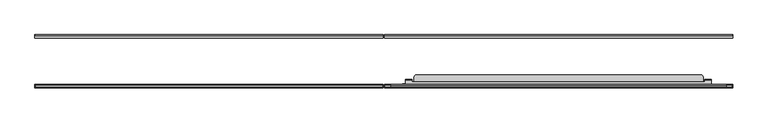
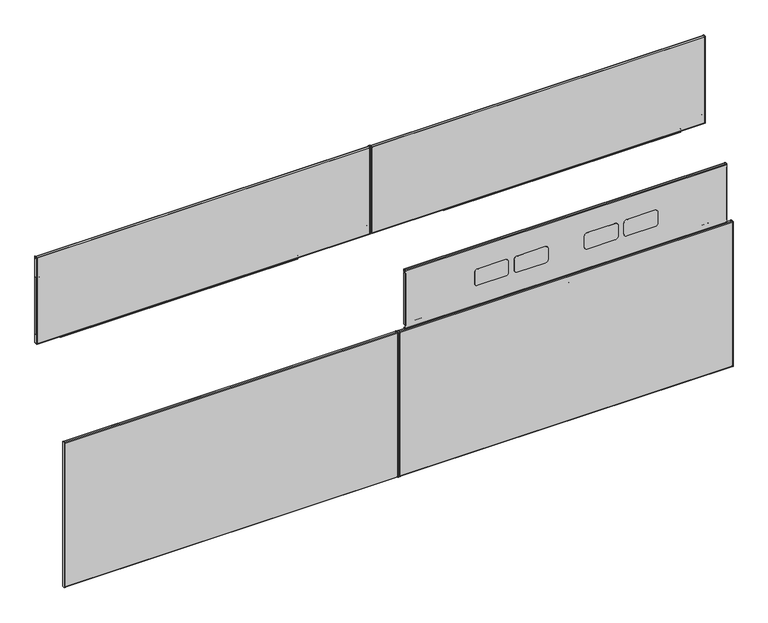
"""IFC4 building model written with IfcOpenShell, lengths in millimetres: furniture geometry."""

import ifcopenshell
import ifcopenshell.guid

model = None  # the IFC model being written
_history = None  # IfcOwnerHistory: only IFC2X3 demands one
_inside = {}  # id of a spatial element -> (the spatial element, [elements in it])
_under = {}  # id of a project, library or spatial element -> (it, [spatial elements below it])
_declared = {}  # id of a project -> (the project, [libraries it declares])
_typed = {}  # id of a type object -> (the type object, [elements of that type])
_made_of = {}  # id of a material, layer set ... -> (it, [elements and type objects made of it])


def new_model(schema):
    """Start an empty IFC model of exactly this schema.

    Asked for "IFC4X3", IfcOpenShell would pick the latest addendum, in which some entities
    have other attributes; the version numbers below select the first issue.
    IFC2X3 requires an IfcOwnerHistory on every rooted entity: one is made here for all.
    """
    global model, _history
    if schema == "IFC4X3":
        model = ifcopenshell.file(schema_version=(4, 3, 0, 0))
    else:
        model = ifcopenshell.file(schema=schema)
    _inside.clear()
    _under.clear()
    _declared.clear()
    _typed.clear()
    _made_of.clear()
    _history = None
    if model.schema == "IFC2X3":
        org = make("IfcOrganization", Name="unknown")
        user = make(
            "IfcPersonAndOrganization",
            ThePerson=make("IfcPerson", FamilyName="unknown"),
            TheOrganization=org,
        )
        app = make(
            "IfcApplication",
            ApplicationDeveloper=org,
            Version="unknown",
            ApplicationFullName="unknown",
            ApplicationIdentifier="unknown",
        )
        _history = make(
            "IfcOwnerHistory",
            OwningUser=user,
            OwningApplication=app,
            ChangeAction="ADDED",
            CreationDate=0,
        )
    return model


def make(cls, **values):
    """One entity of the class cls with the attributes given. An attribute that is None is left unset."""
    return model.create_entity(
        cls, **{name: value for name, value in values.items() if value is not None}
    )


def rooted(cls, **values):
    """An entity with a GlobalId (a new one), such as an element, a storey or a relation."""
    return make(cls, GlobalId=ifcopenshell.guid.new(), OwnerHistory=_history, **values)


def si_unit(unit_type, name, prefix=None):
    """IfcSIUnit, for example si_unit("LENGTHUNIT", "METRE", prefix="MILLI")."""
    return make("IfcSIUnit", UnitType=unit_type, Prefix=prefix, Name=name)


def assignment(units):
    """IfcUnitAssignment: the units of a project."""
    return None if units is None else make("IfcUnitAssignment", Units=units)


def point(xyz):
    """IfcCartesianPoint."""
    return None if xyz is None else make("IfcCartesianPoint", Coordinates=xyz)


def direction(xyz):
    """IfcDirection."""
    return None if xyz is None else make("IfcDirection", DirectionRatios=xyz)


def frame(location, z_axis=None, x_axis=None):
    """IfcAxis2Placement3D, a coordinate frame: its origin and axes. An axis left out is left unset."""
    return make(
        "IfcAxis2Placement3D",
        Location=point(location),
        Axis=direction(z_axis),
        RefDirection=direction(x_axis),
    )


def frame_2d(location, x_axis=None):
    """IfcAxis2Placement2D, a coordinate frame in the plane: its origin and x axis."""
    return make(
        "IfcAxis2Placement2D", Location=point(location), RefDirection=direction(x_axis)
    )


def origin():
    """The frame at (0, 0, 0) with its axes left unset."""
    return frame((0.0, 0.0, 0.0))


def place(relative_to, where):
    """IfcLocalPlacement: puts the frame where relative to a parent placement (None: the world)."""
    return make(
        "IfcLocalPlacement", PlacementRelTo=relative_to, RelativePlacement=where
    )


def context(
    kind, dimensions, precision=None, world=None, true_north=None, identifier=None
):
    """IfcGeometricRepresentationContext, for example the 3D "Model" context."""
    return make(
        "IfcGeometricRepresentationContext",
        ContextIdentifier=identifier,
        ContextType=kind,
        CoordinateSpaceDimension=dimensions,
        Precision=precision,
        WorldCoordinateSystem=world,
        TrueNorth=true_north,
    )


def project(units=None, contexts=None):
    """IfcProject with its units and contexts."""
    return rooted(
        "IfcProject",
        Name="project",
        RepresentationContexts=contexts,
        UnitsInContext=assignment(units),
    )


def spatial(cls, under=None, at=None, **own):
    """A site, building, storey or space (cls), placed at a placement, below another one or the project."""
    s = rooted(cls, ObjectPlacement=at, **own)
    if under is not None:
        _under.setdefault(under.id(), (under, []))[1].append(s)
    return s


def polyline(points):
    """IfcPolyline through the points."""
    return make("IfcPolyline", Points=[point(p) for p in points])


def circle_curve(where, radius):
    """IfcCircle in the frame where."""
    return make("IfcCircle", Position=where, Radius=radius)


def trimmed(basis, trim1, trim2, sense, master):
    """IfcTrimmedCurve: the piece of a basis curve between two trims."""
    return make(
        "IfcTrimmedCurve",
        BasisCurve=basis,
        Trim1=trim1,
        Trim2=trim2,
        SenseAgreement=sense,
        MasterRepresentation=master,
    )


def segment(curve, same_sense, transition):
    """IfcCompositeCurveSegment."""
    return make(
        "IfcCompositeCurveSegment",
        Transition=transition,
        SameSense=same_sense,
        ParentCurve=curve,
    )


def composite_curve(segments, self_intersect=None):
    """IfcCompositeCurve: segments joined end to end."""
    return make("IfcCompositeCurve", Segments=segments, SelfIntersect=self_intersect)


def outline(outer, holes=None, kind="AREA"):
    """IfcArbitraryClosedProfileDef: a profile drawn as a closed curve; with holes, ...WithVoids."""
    if holes is None:
        return make("IfcArbitraryClosedProfileDef", ProfileType=kind, OuterCurve=outer)
    return make(
        "IfcArbitraryProfileDefWithVoids",
        ProfileType=kind,
        OuterCurve=outer,
        InnerCurves=holes,
    )


def extrude(swept, where, along, depth):
    """IfcExtrudedAreaSolid: the profile swept, set in the frame where, extruded along a direction by depth."""
    return make(
        "IfcExtrudedAreaSolid",
        SweptArea=swept,
        Position=where,
        ExtrudedDirection=direction(along),
        Depth=depth,
    )


def shape(context_of_items, identifier, shape_type, items):
    """IfcShapeRepresentation: the items that make up one representation, for example the "Body"."""
    return make(
        "IfcShapeRepresentation",
        ContextOfItems=context_of_items,
        RepresentationIdentifier=identifier,
        RepresentationType=shape_type,
        Items=items,
    )


def source(mapping_origin, context_of_items, identifier, shape_type, items):
    """IfcRepresentationMap: a shape defined once, which mapped items show again and again."""
    return make(
        "IfcRepresentationMap",
        MappingOrigin=mapping_origin,
        MappedRepresentation=shape(context_of_items, identifier, shape_type, items),
    )


def transform(
    local_origin,
    x_axis=None,
    y_axis=None,
    z_axis=None,
    scale=None,
    scale2=None,
    scale3=None,
    uniform=True,
):
    """IfcCartesianTransformationOperator3D, or its non-uniform kind. x_axis, y_axis, z_axis: its Axis1, 2, 3."""
    if uniform:
        return make(
            "IfcCartesianTransformationOperator3D",
            Axis1=direction(x_axis),
            Axis2=direction(y_axis),
            LocalOrigin=point(local_origin),
            Scale=scale,
            Axis3=direction(z_axis),
        )
    return make(
        "IfcCartesianTransformationOperator3DnonUniform",
        Axis1=direction(x_axis),
        Axis2=direction(y_axis),
        LocalOrigin=point(local_origin),
        Scale=scale,
        Axis3=direction(z_axis),
        Scale2=scale2,
        Scale3=scale3,
    )


def mapped(mapping_source, mapping_target):
    """IfcMappedItem: shows the shape of a source again, moved by a transform."""
    return make(
        "IfcMappedItem", MappingSource=mapping_source, MappingTarget=mapping_target
    )


def made_of(thing, what):
    """Note that an element or type object is made of a material, layer set ...; save() writes the relation."""
    if what is not None:
        _made_of.setdefault(what.id(), (what, []))[1].append(thing)
    return thing


def element(
    cls,
    number,
    at=None,
    inside=None,
    cuts=None,
    type_object=None,
    material=None,
    context=None,
    identifier="Body",
    shape_type=None,
    held_by="IfcProductDefinitionShape",
    body=None,
    shapes=None,
    **own,
):
    """One element of the class cls, such as IfcWall. Its Tag is "e" and its number.

    at: its placement. inside: the storey or other place that contains it. cuts: it is an
    opening in that element (IfcRelVoidsElement). A single representation is given by context,
    identifier, shape_type and body (its items); several are given by shapes. held_by: the class
    of the entity that holds the representations. save() writes the other relations.
    """
    e = rooted(cls, Tag="e%d" % number, ObjectPlacement=at, **own)
    if body is not None:
        shapes = [shape(context, identifier, shape_type, body)]
    if shapes is not None:
        e.Representation = make(held_by, Representations=shapes)
    if inside is not None:
        _inside.setdefault(inside.id(), (inside, []))[1].append(e)
    if cuts is not None:
        rooted(
            "IfcRelVoidsElement", RelatingBuildingElement=cuts, RelatedOpeningElement=e
        )
    if type_object is not None:
        _typed.setdefault(type_object.id(), (type_object, []))[1].append(e)
    return made_of(e, material)


def aggregate(whole, parts):
    """IfcRelAggregates: a whole, such as a stair, and the parts it consists of."""
    return rooted("IfcRelAggregates", RelatingObject=whole, RelatedObjects=parts)


def save(model, path):
    """Write the relations noted so far, then the file.

    IfcRelAggregates (storeys below a building ...), IfcRelContainedInSpatialStructure (elements
    in a storey), IfcRelDefinesByType, IfcRelAssociatesMaterial and IfcRelDeclares: one each for
    every whole, place, type object, material and project.
    """
    for whole, parts in _under.values():
        aggregate(whole, parts)
    for where, things in _inside.values():
        rooted(
            "IfcRelContainedInSpatialStructure",
            RelatedElements=things,
            RelatingStructure=where,
        )
    for kind, things in _typed.values():
        rooted("IfcRelDefinesByType", RelatedObjects=things, RelatingType=kind)
    for what, things in _made_of.values():
        rooted("IfcRelAssociatesMaterial", RelatedObjects=things, RelatingMaterial=what)
    for by, libraries in _declared.values():
        rooted("IfcRelDeclares", RelatingContext=by, RelatedDefinitions=libraries)
    model.write(path)


def plane_surface(at):
    """IfcPlane: the flat surface through the origin of the frame at, square to its z axis."""
    return make("IfcPlane", Position=at)


def cylinder_surface(at, radius):
    """IfcCylindricalSurface: all points at the distance radius from the z axis of the frame at."""
    return make("IfcCylindricalSurface", Position=at, Radius=radius)


def revolved_surface(curve, axis_point, axis_direction):
    """IfcSurfaceOfRevolution: the curve turned about the line through axis_point along axis_direction."""
    return make(
        "IfcSurfaceOfRevolution",
        SweptCurve=make("IfcArbitraryOpenProfileDef", ProfileType="CURVE", Curve=curve),
        AxisPosition=make("IfcAxis1Placement", Location=point(axis_point), Axis=direction(axis_direction)),
    )


def advanced_brep(points, edges, surfaces, faces):
    """IfcAdvancedBrep: a solid bounded by faces that lie on surfaces and meet in shared edges.

    An edge is (start, end): straight between two places in points (the first is 0);
    or (start, end, curve); or (start, end, curve, False) where it runs against its curve.
    A face is (place in surfaces, loops), or (place, loops, False) where it looks against
    its surface's normal. A loop lists edges by number (the first is 1), with a minus sign
    where the edge is run from its end to its start. The first loop is the outer one.
    """
    corners = [point(p) for p in points]
    vertices = [make("IfcVertexPoint", VertexGeometry=c) for c in corners]
    made = []
    for start, end, *more in edges:
        made.append(
            make(
                "IfcEdgeCurve",
                EdgeStart=vertices[start],
                EdgeEnd=vertices[end],
                EdgeGeometry=more[0] if more else make("IfcPolyline", Points=[corners[start], corners[end]]),
                SameSense=more[1] if len(more) > 1 else True,
            )
        )
    hull = []
    for where, loops, *sense in faces:
        bounds = []
        for j, loop in enumerate(loops):
            ring = [make("IfcOrientedEdge", EdgeElement=made[abs(k) - 1], Orientation=k > 0) for k in loop]
            bounds.append(
                make(
                    "IfcFaceOuterBound" if j == 0 else "IfcFaceBound",
                    Bound=make("IfcEdgeLoop", EdgeList=ring),
                    Orientation=True,
                )
            )
        hull.append(make("IfcAdvancedFace", Bounds=bounds, FaceSurface=surfaces[where], SameSense=sense[0] if sense else True))
    return make("IfcAdvancedBrep", Outer=make("IfcClosedShell", CfsFaces=hull))


def furniture_02fceba5(model_context):
    return source(origin(), model_context, "Body", "SolidModel", [
        extrude(outline(composite_curve([segment(polyline([(734.9612073, 1298.418702), (734.9612073, 2054.4539044), (745.1433918, 2054.4539044)]), True, "CONTINUOUS"), segment(trimmed(circle_curve(frame_2d((745.1433918, 2052.6360946)), 1.8178098), [point((745.1433918, 2054.4539044))], [point((746.9612016, 2052.6360946))], False, "CARTESIAN"), True, "CONTINUOUS"), segment(polyline([(746.9612016, 2052.6360946), (746.9612016, 1299.8508917)]), True, "CONTINUOUS"), segment(trimmed(circle_curve(frame_2d((745.5290119, 1299.8508917)), 1.4321897), [point((746.9612016, 1299.8508917))], [point((745.5290119, 1298.418702))], False, "CARTESIAN"), True, "CONTINUOUS"), segment(polyline([(745.5290119, 1298.418702), (734.9612073, 1298.418702)]), True, "CONTINUOUS")], self_intersect=False)), frame((0.0, -58.6781407, 0.0), z_axis=(0.0, 1.0, 0.0), x_axis=(0.0, 0.0, 1.0)), (0.0, 0.0, 1.0), 7.3431383),
        extrude(outline(composite_curve([segment(polyline([(825.6287108, 1079.8859018), (960.2347544, 1079.8859018)]), True, "CONTINUOUS"), segment(trimmed(circle_curve(frame_2d((960.2347544, 1077.6594545)), 2.2264474), [point((960.2347544, 1079.8859018))], [point((962.4612018, 1077.6594545))], False, "CARTESIAN"), True, "CONTINUOUS"), segment(polyline([(962.4612018, 1077.6594545), (962.4612018, 1068.8000233), (769.9612512, 1068.8000233), (769.9612512, 1078.1819869)]), True, "CONTINUOUS"), segment(trimmed(circle_curve(frame_2d((771.6651662, 1078.1819869)), 1.703915), [point((769.9612512, 1078.1819869))], [point((771.6651662, 1079.8859018))], False, "CARTESIAN"), True, "CONTINUOUS"), segment(polyline([(771.6651662, 1079.8859018), (775.0827409, 1079.8859018), (775.0827409, 1074.2968534), (825.6287108, 1074.2968534), (825.6287108, 1079.8859018)]), True, "CONTINUOUS")], self_intersect=False)), frame((0.0, -58.6781407, 0.0), z_axis=(0.0, 1.0, 0.0), x_axis=(0.0, 0.0, 1.0)), (0.0, 0.0, 1.0), 7.3431383),
        extrude(outline(composite_curve([segment(polyline([(825.6287108, 2120.5878843), (825.6287108, 2126.1768844), (775.0827409, 2126.176885), (775.0827409, 2120.5878843), (771.3508741, 2120.5878843)]), True, "CONTINUOUS"), segment(trimmed(circle_curve(frame_2d((771.3508741, 2121.9775072)), 1.3896229), [point((771.3508741, 2120.5878843))], [point((769.9612512, 2121.9775072))], False, "CARTESIAN"), True, "CONTINUOUS"), segment(polyline([(769.9612512, 2121.9775072), (769.9612512, 2131.6000044), (962.4612018, 2131.6000044), (962.4612018, 2122.1471973)]), True, "CONTINUOUS"), segment(trimmed(circle_curve(frame_2d((960.9018888, 2122.1471973)), 1.559313), [point((962.4612018, 2122.1471973))], [point((960.9018888, 2120.5878843))], False, "CARTESIAN"), True, "CONTINUOUS"), segment(polyline([(960.9018888, 2120.5878843), (825.6287108, 2120.5878843)]), True, "CONTINUOUS")], self_intersect=False)), frame((0.0, -58.6781407, 0.0), z_axis=(0.0, 1.0, 0.0), x_axis=(0.0, 0.0, 1.0)), (0.0, 0.0, 1.0), 7.3431383),
        extrude(outline(polyline([(1068.8000233, -51.3350025), (2131.6000044, -51.3350025), (2131.6000044, -60.8600025), (1068.8000233, -60.8600025), (1068.8000233, -51.3350025)])), frame((0.0, 0.0, 740.3599691), z_axis=(0.0, 0.0, 1.0), x_axis=(1.0, 0.0, 0.0)), (0.0, 0.0, 1.0), 0.9118629),
        extrude(outline(composite_curve([segment(trimmed(circle_curve(frame_2d((-53.4811786, 1029.2138314)), 1.2343177), [point((-52.2468609, 1029.2138314))], [point((-53.4811786, 1030.4481491))], True, "CARTESIAN"), True, "CONTINUOUS"), segment(polyline([(-53.4811786, 1030.4481491), (-60.8600025, 1030.4481491), (-60.8600025, 1031.3600121), (-53.3140334, 1031.3600121)]), True, "CONTINUOUS"), segment(trimmed(circle_curve(frame_2d((-53.3140334, 1029.3809811)), 1.9790309), [point((-53.3140334, 1031.3600121))], [point((-51.3350025, 1029.3809811))], False, "CARTESIAN"), True, "CONTINUOUS"), segment(polyline([(-51.3350025, 1029.3809811), (-51.3350025, 1023.3599916), (-52.2468609, 1023.3599916), (-52.2468609, 1029.2138314)]), True, "CONTINUOUS")], self_intersect=False)), frame((1068.8000233, 0.0, 0.0), z_axis=(1.0, 0.0, 0.0), x_axis=(0.0, 1.0, 0.0)), (0.0, 0.0, 1.0), 1062.7999811),
        extrude(outline(composite_curve([segment(polyline([(2131.6000044, -51.3350025), (2131.6000044, -58.637242)]), True, "CONTINUOUS"), segment(trimmed(circle_curve(frame_2d((2129.3772439, -58.637242)), 2.2227605), [point((2131.6000044, -58.637242))], [point((2129.3772439, -60.8600025))], False, "CARTESIAN"), True, "CONTINUOUS"), segment(polyline([(2129.3772439, -60.8600025), (1071.3400233, -60.8600025)]), True, "CONTINUOUS"), segment(trimmed(circle_curve(frame_2d((1071.3400233, -58.3200025)), 2.54), [point((1071.3400233, -60.8600025))], [point((1068.8000233, -58.3200025))], False, "CARTESIAN"), True, "CONTINUOUS"), segment(polyline([(1068.8000233, -58.3200025), (1068.8000233, -51.3350025), (1069.727504, -51.3350025), (1069.727504, -58.5359447)]), True, "CONTINUOUS"), segment(trimmed(circle_curve(frame_2d((1071.1396987, -58.5359447)), 1.4121948), [point((1069.727504, -58.5359447))], [point((1071.1396987, -59.9481395))], True, "CARTESIAN"), True, "CONTINUOUS"), segment(polyline([(1071.1396987, -59.9481395), (2129.5706627, -59.9481395)]), True, "CONTINUOUS"), segment(trimmed(circle_curve(frame_2d((2129.5706627, -58.8306579)), 1.1174816), [point((2129.5706627, -59.9481395))], [point((2130.6881443, -58.8306579))], True, "CARTESIAN"), True, "CONTINUOUS"), segment(polyline([(2130.6881443, -58.8306579), (2130.6881443, -51.3350025), (2131.6000044, -51.3350025)]), True, "CONTINUOUS")], self_intersect=False)), frame((0.0, 0.0, 740.3599691), z_axis=(0.0, 0.0, 1.0), x_axis=(1.0, 0.0, 0.0)), (0.0, 0.0, 1.0), 291.0000429),
        extrude(outline(composite_curve([segment(polyline([(734.9612073, 835.181298), (745.5290119, 835.181298)]), True, "CONTINUOUS"), segment(trimmed(circle_curve(frame_2d((745.5290119, 833.7491083)), 1.4321897), [point((745.5290119, 835.181298))], [point((746.9612016, 833.7491083))], False, "CARTESIAN"), True, "CONTINUOUS"), segment(polyline([(746.9612016, 833.7491083), (746.9612016, 80.9639054)]), True, "CONTINUOUS"), segment(trimmed(circle_curve(frame_2d((745.1433918, 80.9639054)), 1.8178098), [point((746.9612016, 80.9639054))], [point((745.1433918, 79.1460956))], False, "CARTESIAN"), True, "CONTINUOUS"), segment(polyline([(745.1433918, 79.1460956), (734.9612073, 79.1460956), (734.9612073, 835.181298)]), True, "CONTINUOUS")], self_intersect=False)), frame((0.0, -58.6781407, 0.0), z_axis=(0.0, 1.0, 0.0), x_axis=(0.0, 0.0, 1.0)), (0.0, 0.0, 1.0), 7.3431383),
        extrude(outline(composite_curve([segment(polyline([(825.6287108, 1053.7140982), (825.6287108, 1059.3031466), (775.0827409, 1059.3031466), (775.0827409, 1053.7140982), (771.6651662, 1053.7140982)]), True, "CONTINUOUS"), segment(trimmed(circle_curve(frame_2d((771.6651662, 1055.4180131)), 1.703915), [point((771.6651662, 1053.7140982))], [point((769.9612512, 1055.4180131))], False, "CARTESIAN"), True, "CONTINUOUS"), segment(polyline([(769.9612512, 1055.4180131), (769.9612512, 1064.7999767), (962.4612018, 1064.7999767), (962.4612018, 1055.9405455)]), True, "CONTINUOUS"), segment(trimmed(circle_curve(frame_2d((960.2347544, 1055.9405455)), 2.2264474), [point((962.4612018, 1055.9405455))], [point((960.2347544, 1053.7140982))], False, "CARTESIAN"), True, "CONTINUOUS"), segment(polyline([(960.2347544, 1053.7140982), (825.6287108, 1053.7140982)]), True, "CONTINUOUS")], self_intersect=False)), frame((0.0, -58.6781407, 0.0), z_axis=(0.0, 1.0, 0.0), x_axis=(0.0, 0.0, 1.0)), (0.0, 0.0, 1.0), 7.3431383),
        extrude(outline(composite_curve([segment(polyline([(825.6287108, 13.0121157), (960.9018888, 13.0121157)]), True, "CONTINUOUS"), segment(trimmed(circle_curve(frame_2d((960.9018888, 11.4528027)), 1.559313), [point((960.9018888, 13.0121157))], [point((962.4612018, 11.4528027))], False, "CARTESIAN"), True, "CONTINUOUS"), segment(polyline([(962.4612018, 11.4528027), (962.4612018, 1.9999956), (769.9612512, 1.9999956), (769.9612512, 11.6224928)]), True, "CONTINUOUS"), segment(trimmed(circle_curve(frame_2d((771.3508741, 11.6224928)), 1.3896229), [point((769.9612512, 11.6224928))], [point((771.3508741, 13.0121157))], False, "CARTESIAN"), True, "CONTINUOUS"), segment(polyline([(771.3508741, 13.0121157), (775.0827409, 13.0121157), (775.0827409, 7.423115), (825.6287108, 7.4231156), (825.6287108, 13.0121157)]), True, "CONTINUOUS")], self_intersect=False)), frame((0.0, -58.6781407, 0.0), z_axis=(0.0, 1.0, 0.0), x_axis=(0.0, 0.0, 1.0)), (0.0, 0.0, 1.0), 7.3431383),
        extrude(outline(polyline([(1064.7999767, -51.3350025), (1064.7999767, -60.8600025), (1.9999956, -60.8600025), (1.9999956, -51.3350025), (1064.7999767, -51.3350025)])), frame((0.0, 0.0, 740.3599691), z_axis=(0.0, 0.0, 1.0), x_axis=(1.0, 0.0, 0.0)), (0.0, 0.0, 1.0), 0.9118629),
        extrude(outline(composite_curve([segment(trimmed(circle_curve(frame_2d((-53.4811786, 1029.2138314)), 1.2343177), [point((-52.2468609, 1029.2138314))], [point((-53.4811786, 1030.4481491))], True, "CARTESIAN"), True, "CONTINUOUS"), segment(polyline([(-53.4811786, 1030.4481491), (-60.8600025, 1030.4481491), (-60.8600025, 1031.3600121), (-53.3140334, 1031.3600121)]), True, "CONTINUOUS"), segment(trimmed(circle_curve(frame_2d((-53.3140334, 1029.3809811)), 1.9790309), [point((-53.3140334, 1031.3600121))], [point((-51.3350025, 1029.3809811))], False, "CARTESIAN"), True, "CONTINUOUS"), segment(polyline([(-51.3350025, 1029.3809811), (-51.3350025, 1023.3599916), (-52.2468609, 1023.3599916), (-52.2468609, 1029.2138314)]), True, "CONTINUOUS")], self_intersect=False)), frame((1.9999956, 0.0, 0.0), z_axis=(1.0, 0.0, 0.0), x_axis=(0.0, 1.0, 0.0)), (0.0, 0.0, 1.0), 1062.7999811),
        extrude(outline(composite_curve([segment(polyline([(1.9999956, -51.3350025), (2.9118557, -51.3350025), (2.9118557, -58.8306579)]), True, "CONTINUOUS"), segment(trimmed(circle_curve(frame_2d((4.0293373, -58.8306579)), 1.1174816), [point((2.9118557, -58.8306579))], [point((4.0293373, -59.9481395))], True, "CARTESIAN"), True, "CONTINUOUS"), segment(polyline([(4.0293373, -59.9481395), (1062.4603013, -59.9481395)]), True, "CONTINUOUS"), segment(trimmed(circle_curve(frame_2d((1062.4603013, -58.5359447)), 1.4121948), [point((1062.4603013, -59.9481395))], [point((1063.872496, -58.5359447))], True, "CARTESIAN"), True, "CONTINUOUS"), segment(polyline([(1063.872496, -58.5359447), (1063.872496, -51.3350025), (1064.7999767, -51.3350025), (1064.7999767, -58.3200025)]), True, "CONTINUOUS"), segment(trimmed(circle_curve(frame_2d((1062.2599767, -58.3200025)), 2.54), [point((1064.7999767, -58.3200025))], [point((1062.2599767, -60.8600025))], False, "CARTESIAN"), True, "CONTINUOUS"), segment(polyline([(1062.2599767, -60.8600025), (4.2227561, -60.8600025)]), True, "CONTINUOUS"), segment(trimmed(circle_curve(frame_2d((4.2227561, -58.637242)), 2.2227605), [point((4.2227561, -60.8600025))], [point((1.9999956, -58.637242))], False, "CARTESIAN"), True, "CONTINUOUS"), segment(polyline([(1.9999956, -58.637242), (1.9999956, -51.3350025)]), True, "CONTINUOUS")], self_intersect=False)), frame((0.0, 0.0, 740.3599691), z_axis=(0.0, 0.0, 1.0), x_axis=(1.0, 0.0, 0.0)), (0.0, 0.0, 1.0), 291.0000429),
        extrude(outline(polyline([(1619.0214166, -206.4751401), (1613.1540058, -206.4751401), (1612.3919884, -206.6793172), (1611.8341736, -207.2371399), (1611.6300073, -207.9991398), (1611.6300073, -209.3239397), (1611.2250538, -210.8352397), (1610.1186896, -211.9415885), (1608.6074083, -212.3465398), (1591.8082399, -212.3465398), (1590.2969586, -211.9415885), (1589.1905945, -210.8352397), (1588.785641, -209.3239397), (1588.785641, -207.9991398), (1588.5814747, -207.2371399), (1588.0236599, -206.6793172), (1587.2616425, -206.4751401), (1581.3942317, -206.4751401), (1581.3942317, -204.97654), (1587.2616425, -204.97654), (1588.7729601, -205.3814916), (1589.8792879, -206.48784), (1590.2842414, -207.9991398), (1590.2842414, -209.3239397), (1590.4884077, -210.0859401), (1591.0462588, -210.6437628), (1591.8082399, -210.8479399), (1608.6074083, -210.8479399), (1609.3693894, -210.6437628), (1609.9272406, -210.0859401), (1610.1314069, -209.3239397), (1610.1314069, -207.9991398), (1610.5363604, -206.48784), (1611.6426882, -205.3814916), (1613.1540058, -204.97654), (1619.0214166, -204.97654), (1619.0214166, -206.4751401)])), frame((0.0, 0.0, 13.511849), z_axis=(0.0, 0.0, 1.0), x_axis=(1.0, 0.0, 0.0)), (0.0, 0.0, 1.0), 465.0000042),
        extrude(outline(composite_curve([segment(polyline([(-206.0205708, 12.9809891), (-213.2583999, 12.9809891), (-213.2583999, 500.6190067), (-205.8612792, 500.6190067)]), True, "CONTINUOUS"), segment(trimmed(circle_curve(frame_2d((-205.8612792, 498.4911276)), 2.1278792), [point((-205.8612792, 500.6190067))], [point((-203.7334, 498.4911276))], False, "CARTESIAN"), True, "CONTINUOUS"), segment(polyline([(-203.7334, 498.4911276), (-203.7334, 15.2681599)]), True, "CONTINUOUS"), segment(trimmed(circle_curve(frame_2d((-206.0205708, 15.2681599)), 2.2871708), [point((-203.7334, 15.2681599))], [point((-206.0205708, 12.9809891))], False, "CARTESIAN"), True, "CONTINUOUS")], self_intersect=False)), frame((1068.8000233, 0.0, 0.0), z_axis=(1.0, 0.0, 0.0), x_axis=(0.0, 1.0, 0.0)), (0.0, 0.0, 1.0), 0.9274807),
        extrude(outline(composite_curve([segment(polyline([(-206.0205708, 12.9809891), (-213.2583999, 12.9809891), (-213.2583999, 500.6190067), (-205.8612792, 500.6190067)]), True, "CONTINUOUS"), segment(trimmed(circle_curve(frame_2d((-205.8612792, 498.4911276)), 2.1278792), [point((-205.8612792, 500.6190067))], [point((-203.7334, 498.4911276))], False, "CARTESIAN"), True, "CONTINUOUS"), segment(polyline([(-203.7334, 498.4911276), (-203.7334, 15.2681599)]), True, "CONTINUOUS"), segment(trimmed(circle_curve(frame_2d((-206.0205708, 15.2681599)), 2.2871708), [point((-203.7334, 15.2681599))], [point((-206.0205708, 12.9809891))], False, "CARTESIAN"), True, "CONTINUOUS")], self_intersect=False)), frame((2130.6881443, 0.0, 0.0), z_axis=(1.0, 0.0, 0.0), x_axis=(0.0, 1.0, 0.0)), (0.0, 0.0, 1.0), 0.9118601),
        extrude(outline(polyline([(76.8619872, 1069.727504), (76.8619872, 1081.849019), (156.5539797, 1081.849019), (156.5539797, 1076.2600188), (207.099986, 1076.2600188), (207.099986, 1081.849019), (437.5000033, 1081.849019), (437.5000033, 1069.727504), (76.8619872, 1069.727504)])), frame((0.0, -204.82433, 0.0), z_axis=(0.0, 1.0, 0.0), x_axis=(0.0, 0.0, 1.0)), (0.0, 0.0, 1.0), 0.7986162),
        extrude(outline(polyline([(76.8619872, 2130.6881443), (437.5000033, 2130.6881443), (437.5000033, 2120.5510043), (207.099986, 2120.5510043), (207.099986, 2126.1400044), (156.5539797, 2126.1400044), (156.5539797, 2120.5510043), (76.8619872, 2120.5510043), (76.8619872, 2130.6881443)])), frame((0.0, -204.82433, 0.0), z_axis=(0.0, 1.0, 0.0), x_axis=(0.0, 0.0, 1.0)), (0.0, 0.0, 1.0), 0.7986162),
        extrude(outline(composite_curve([segment(trimmed(circle_curve(frame_2d((-206.0131195, 498.7202595)), 2.2797196), [point((-206.0131195, 500.9999791))], [point((-203.7334, 498.7202595))], False, "CARTESIAN"), True, "CONTINUOUS"), segment(polyline([(-203.7334, 498.7202595), (-203.7334, 486.0902061), (-204.64526, 486.0902061), (-204.64526, 498.7756083)]), True, "CONTINUOUS"), segment(trimmed(circle_curve(frame_2d((-205.9577679, 498.7756083)), 1.3125079), [point((-204.64526, 498.7756083))], [point((-205.9577679, 500.0881162))], True, "CARTESIAN"), True, "CONTINUOUS"), segment(polyline([(-205.9577679, 500.0881162), (-211.0778208, 500.0881162)]), True, "CONTINUOUS"), segment(trimmed(circle_curve(frame_2d((-211.0778208, 498.8193972)), 1.2687189), [point((-211.0778208, 500.0881162))], [point((-212.3465398, 498.8193972))], True, "CARTESIAN"), True, "CONTINUOUS"), segment(polyline([(-212.3465398, 498.8193972), (-212.3465398, 14.9389212)]), True, "CONTINUOUS"), segment(trimmed(circle_curve(frame_2d((-210.9194675, 14.9389212)), 1.4270722), [point((-212.3465398, 14.9389212))], [point((-210.9194675, 13.511849))], True, "CARTESIAN"), True, "CONTINUOUS"), segment(polyline([(-210.9194675, 13.511849), (-205.9776146, 13.511849)]), True, "CONTINUOUS"), segment(trimmed(circle_curve(frame_2d((-205.9776146, 14.8442036)), 1.3323546), [point((-205.9776146, 13.511849))], [point((-204.64526, 14.8442036))], True, "CARTESIAN"), True, "CONTINUOUS"), segment(polyline([(-204.64526, 14.8442036), (-204.64526, 24.5989482), (-203.7334, 24.5989482), (-203.7334, 14.8055187)]), True, "CONTINUOUS"), segment(trimmed(circle_curve(frame_2d((-205.9389292, 14.8055187)), 2.2055292), [point((-203.7334, 14.8055187))], [point((-205.9389292, 12.5999894))], False, "CARTESIAN"), True, "CONTINUOUS"), segment(polyline([(-205.9389292, 12.5999894), (-211.149738, 12.5999894)]), True, "CONTINUOUS"), segment(trimmed(circle_curve(frame_2d((-211.149738, 14.7086513)), 2.1086618), [point((-211.149738, 12.5999894))], [point((-213.2583999, 14.7086513))], False, "CARTESIAN"), True, "CONTINUOUS"), segment(polyline([(-213.2583999, 14.7086513), (-213.2583999, 498.8134963)]), True, "CONTINUOUS"), segment(trimmed(circle_curve(frame_2d((-211.0719171, 498.8134963)), 2.1864828), [point((-213.2583999, 498.8134963))], [point((-211.0719171, 500.9999791))], False, "CARTESIAN"), True, "CONTINUOUS"), segment(polyline([(-211.0719171, 500.9999791), (-206.0131195, 500.9999791)]), True, "CONTINUOUS")], self_intersect=False)), frame((1069.727504, 0.0, 0.0), z_axis=(1.0, 0.0, 0.0), x_axis=(0.0, 1.0, 0.0)), (0.0, 0.0, 1.0), 1060.9606403),
        advanced_brep(
        [(1133.1614149, -189.0734003, 484.7619804), (1133.1614149, -189.0734003, 502.380488), (1133.1614149, -190.6453154, 503.9524031), (1133.1614149, -205.2802599, 503.9524031), (1133.1614149, -205.2802599, 504.7619951), (1133.1614149, -190.2544323, 504.7619951), (1133.1614149, -188.2141807, 502.7217435), (1133.1614149, -188.2141807, 484.7619804), (2067.2385987, -189.0734003, 484.7619804), (2067.2385987, -188.2141807, 484.7619804), (2067.2385987, -188.2141807, 502.7217435), (2067.2385987, -190.2544323, 504.7619951), (2067.2385987, -205.2802599, 504.7619951), (2067.2385987, -205.2802599, 503.9524031), (2067.2385987, -190.6453154, 503.9524031), (2067.2385987, -189.0734003, 502.380488), (2047.2385977, -189.0734003, 484.7619804), (2047.2385977, -188.2141807, 484.7619804), (1153.1614296, -188.2141807, 484.7619804), (1153.1614296, -189.0734003, 484.7619804), (2047.2385977, -188.2141807, 502.7217435), (1153.1614296, -188.2141807, 502.7217435), (2047.2385977, -190.2544323, 504.7619951), (1153.1614296, -190.2544323, 504.7619951), (2047.2385977, -196.3134, 504.7619951), (1153.1614296, -196.3134, 504.7619951), (1153.1614296, -190.6453154, 503.9524031), (1153.1614296, -196.3134, 503.9524031), (2047.2385977, -196.3134, 503.9524031), (2047.2385977, -190.6453154, 503.9524031), (2047.2385977, -189.0734003, 502.380488), (1153.1614296, -189.0734003, 502.380488)],
        [
            (0, 1),
            (1, 2, circle_curve(frame((1133.1614149, -190.6453154, 502.380488), z_axis=(1.0, 0.0, 0.0), x_axis=(0.0, 1.0, 0.0)), 1.571915)),
            (2, 3),
            (3, 4),
            (4, 5),
            (5, 6, circle_curve(frame((1133.1614149, -190.2544323, 502.7217435), z_axis=(-1.0, 0.0, 0.0), x_axis=(0.0, 1.0, 0.0)), 2.0402516)),
            (6, 7),
            (7, 0),
            (8, 9),
            (9, 10),
            (10, 11, circle_curve(frame((2067.2385987, -190.2544323, 502.7217435), z_axis=(1.0, 0.0, 0.0), x_axis=(0.0, 1.0, 0.0)), 2.0402516)),
            (11, 12),
            (12, 13),
            (13, 14),
            (14, 15, circle_curve(frame((2067.2385987, -190.6453154, 502.380488), z_axis=(-1.0, 0.0, 0.0), x_axis=(0.0, 1.0, 0.0)), 1.571915)),
            (15, 8),
            (8, 16),
            (16, 17),
            (17, 9),
            (7, 18),
            (18, 19),
            (19, 0),
            (17, 20),
            (20, 10),
            (6, 21),
            (21, 18),
            (20, 22, circle_curve(frame((2047.2385977, -190.2544323, 502.7217435), z_axis=(1.0, 0.0, 0.0), x_axis=(0.0, 1.0, 0.0)), 2.0402516)),
            (22, 11),
            (5, 23),
            (23, 21, circle_curve(frame((1153.1614296, -190.2544323, 502.7217435), z_axis=(-1.0, 0.0, 0.0), x_axis=(0.0, 1.0, 0.0)), 2.0402516)),
            (4, 12),
            (22, 24),
            (24, 25),
            (25, 23),
            (3, 13),
            (2, 26),
            (26, 27),
            (27, 28),
            (28, 29),
            (29, 14),
            (29, 30, circle_curve(frame((2047.2385977, -190.6453154, 502.380488), z_axis=(-1.0, 0.0, 0.0), x_axis=(0.0, 1.0, 0.0)), 1.571915)),
            (30, 15),
            (1, 31),
            (31, 26, circle_curve(frame((1153.1614296, -190.6453154, 502.380488), z_axis=(1.0, 0.0, 0.0), x_axis=(0.0, 1.0, 0.0)), 1.571915)),
            (19, 31),
            (30, 16),
            (27, 25),
            (24, 28),
        ],
        [
            plane_surface(frame((1133.1614149, -189.0734003, 484.7619804), z_axis=(-1.0, 0.0, 0.0), x_axis=(0.0, 1.0, 0.0))),
            plane_surface(frame((2067.2385987, -189.0734003, 484.7619804), z_axis=(1.0, 0.0, 0.0), x_axis=(0.0, -1.0, 0.0))),
            plane_surface(frame((1133.1614149, -189.0734003, 484.7619804), z_axis=(0.0, 0.0, -1.0), x_axis=(1.0, 0.0, 0.0))),
            plane_surface(frame((1133.1614149, -188.2141807, 484.7619804), z_axis=(0.0, 1.0, 0.0), x_axis=(1.0, 0.0, 0.0))),
            cylinder_surface(frame((2067.2385987, -190.2544323, 502.7217435), z_axis=(-1.0, 0.0, 0.0), x_axis=(0.0, 1.0, 0.0)), 2.0402516),
            plane_surface(frame((1133.1614149, -190.2544323, 504.7619951), z_axis=(0.0, 0.0, 1.0), x_axis=(1.0, 0.0, 0.0))),
            plane_surface(frame((1133.1614149, -205.2802599, 504.7619951), z_axis=(0.0, -1.0, 0.0), x_axis=(1.0, 0.0, 0.0))),
            plane_surface(frame((1133.1614149, -205.2802599, 503.9524031), z_axis=(0.0, 0.0, -1.0), x_axis=(1.0, 0.0, 0.0))),
            revolved_surface(polyline([(2067.2385987, -189.0734004, 502.380488), (2047.2385977, -189.0734004, 502.380488)]), (2067.2385987, -190.6453154, 502.380488), (1.0, 0.0, 0.0)),
            revolved_surface(polyline([(1153.1614296, -189.0734004, 502.380488), (1133.1614149, -189.0734004, 502.380488)]), (2067.2385987, -190.6453154, 502.380488), (1.0, 0.0, 0.0)),
            plane_surface(frame((1133.1614149, -189.0734003, 502.380488), z_axis=(0.0, -1.0, 0.0), x_axis=(1.0, 0.0, 0.0))),
            plane_surface(frame((2047.2385977, -196.3134, 504.7619951), z_axis=(0.0, 1.0, 0.0), x_axis=(0.0, 0.0, -1.0))),
            plane_surface(frame((1153.1614296, -196.3134, 504.7619951), z_axis=(1.0, 0.0, 0.0), x_axis=(0.0, 0.0, -1.0))),
            plane_surface(frame((2047.2385977, -188.2141807, 504.7619951), z_axis=(-1.0, 0.0, 0.0), x_axis=(0.0, 0.0, -1.0))),
        ],
        [
            (0, [[1, 2, 3, 4, 5, 6, 7, 8]]),
            (1, [[9, 10, 11, 12, 13, 14, 15, 16]]),
            (2, [[17, 18, 19, -9]]),
            (2, [[20, 21, 22, -8]]),
            (3, [[-19, 23, 24, -10]]),
            (3, [[25, 26, -20, -7]]),
            (4, [[-24, 27, 28, -11]]),
            (4, [[29, 30, -25, -6]]),
            (5, [[31, -12, -28, 32, 33, 34, -29, -5]]),
            (6, [[35, -13, -31, -4]]),
            (7, [[36, 37, 38, 39, 40, -14, -35, -3]]),
            (8, [[-40, 41, 42, -15]]),
            (9, [[43, 44, -36, -2]]),
            (10, [[-22, 45, -43, -1]]),
            (10, [[-42, 46, -17, -16]]),
            (11, [[-38, 47, -33, 48]]),
            (12, [[-37, -44, -45, -21, -26, -30, -34, -47]]),
            (13, [[-32, -27, -23, -18, -46, -41, -39, -48]]),
        ],
    ),
        advanced_brep(
        [(1124.011392, -202.8234, 481.0000008), (1124.011392, -203.7334, 481.0000008), (1124.011392, -203.7334, 499.164291), (1124.011392, -202.3166887, 500.9515261), (1124.011392, -202.3166887, 500.0149173), (1124.011392, -202.8234, 499.2323507), (2076.4000031, -203.7334, 481.0000008), (2076.4000031, -203.20254, 481.0000008), (2076.4000031, -203.20254, 500.4554821), (2076.4000031, -203.7334, 499.164291), (2067.2385987, -202.8234, 499.2323507), (2067.2385987, -202.8234, 481.0000008), (1135.1614154, -202.3166887, 500.0149173), (1135.1614154, -201.9657451, 500.0900056), (2067.2385987, -201.9657451, 500.0900056), (2041.3886005, -181.7333994, 500.0900056), (2041.3886005, -196.3134, 500.0900056), (2067.2385987, -196.3134, 500.0900056), (1135.1614154, -196.3134, 500.0900056), (1158.92782, -196.3134, 500.0900056), (1158.92782, -181.7333994, 500.0900056), (1159.9996205, -177.7334005, 500.0900056), (1162.9278211, -174.8051976, 500.0900056), (1166.9278222, -173.7333994, 500.0900056), (2033.3885982, -173.7333994, 500.0900056), (2037.3885994, -174.8051976, 500.0900056), (2040.3168, -177.7334005, 500.0900056), (1166.9278222, -173.7333994, 500.9999791), (2033.3885982, -173.7333994, 500.9999791), (2040.3168, -177.7334005, 500.9999791), (2037.3885994, -174.8051976, 500.9999791), (1162.9278211, -174.8051976, 500.9999791), (1159.9996205, -177.7334005, 500.9999791), (1158.92782, -181.7333994, 500.9999791), (1158.92782, -196.3134, 500.9999791), (1135.1614154, -196.3134, 500.9999791), (1135.1614154, -201.8977118, 500.9999791), (2067.2385987, -201.8977118, 500.9999791), (2067.2385987, -196.3134, 500.9999791), (2041.3886005, -196.3134, 500.9999791), (2041.3886005, -181.7333994, 500.9999791), (2067.2385987, -203.20254, 500.4554821), (1135.1614154, -202.3166887, 500.9515261), (2067.2385987, -203.20254, 481.0000008)],
        [
            (0, 1),
            (1, 2),
            (2, 3, circle_curve(frame((1124.011392, -201.8977118, 499.164291), z_axis=(-1.0, 0.0, 0.0), x_axis=(0.0, 1.0, 0.0)), 1.8356882)),
            (3, 4),
            (4, 5, circle_curve(frame((1124.011392, -201.9657451, 499.2323507), z_axis=(1.0, 0.0, 0.0), x_axis=(0.0, 1.0, 0.0)), 0.8576549)),
            (5, 0),
            (6, 7),
            (7, 8),
            (8, 9, circle_curve(frame((2076.4000031, -201.8977118, 499.164291), z_axis=(1.0, 0.0, 0.0), x_axis=(0.0, 1.0, 0.0)), 1.8356882)),
            (9, 6),
            (5, 10),
            (10, 11),
            (11, 0),
            (4, 12),
            (12, 13, circle_curve(frame((1135.1614154, -201.9657451, 499.2323507), z_axis=(-1.0, 0.0, 0.0), x_axis=(0.0, 1.0, 0.0)), 0.8576549)),
            (13, 14),
            (14, 10, circle_curve(frame((2067.2385987, -201.9657451, 499.2323507), z_axis=(1.0, 0.0, 0.0), x_axis=(0.0, 1.0, 0.0)), 0.8576549)),
            (15, 16),
            (16, 17),
            (17, 14),
            (13, 18),
            (18, 19),
            (19, 20),
            (20, 21),
            (21, 22),
            (22, 23),
            (23, 24),
            (24, 25),
            (25, 26),
            (26, 15),
            (23, 27),
            (27, 28),
            (28, 24),
            (29, 30),
            (30, 28),
            (27, 31),
            (31, 32),
            (32, 33),
            (33, 34),
            (34, 35),
            (35, 36),
            (36, 37),
            (37, 38),
            (38, 39),
            (39, 40),
            (40, 29),
            (8, 41),
            (41, 37, circle_curve(frame((2067.2385987, -201.8977118, 499.164291), z_axis=(-1.0, 0.0, 0.0), x_axis=(0.0, 1.0, 0.0)), 1.8356882)),
            (36, 42, circle_curve(frame((1135.1614154, -201.8977118, 499.164291), z_axis=(1.0, 0.0, 0.0), x_axis=(0.0, 1.0, 0.0)), 1.8356882)),
            (42, 3),
            (2, 9),
            (1, 6),
            (11, 43),
            (43, 7),
            (26, 29),
            (40, 15),
            (25, 30),
            (43, 41),
            (17, 38),
            (16, 39),
            (20, 33),
            (32, 21),
            (31, 22),
            (42, 12),
            (35, 18),
            (34, 19),
        ],
        [
            plane_surface(frame((1124.011392, -202.8234, 494.4355179), z_axis=(-1.0, 0.0, 0.0), x_axis=(0.0, 0.0, 1.0))),
            plane_surface(frame((2076.4000031, -202.8234, 494.4355179), z_axis=(1.0, 0.0, 0.0), x_axis=(0.0, 0.0, -1.0))),
            plane_surface(frame((1124.011392, -202.8234, 481.0000008), z_axis=(0.0, 1.0, 0.0), x_axis=(1.0, 0.0, 0.0))),
            revolved_surface(polyline([(2067.2385987, -201.1080902, 499.2323507), (1124.011392, -201.1080902, 499.2323507)]), (2076.4000031, -201.9657451, 499.2323507), (1.0, 0.0, 0.0)),
            plane_surface(frame((1124.011392, -201.9657451, 500.0900056), z_axis=(0.0, 0.0, -1.0), x_axis=(1.0, 0.0, 0.0))),
            plane_surface(frame((1124.011392, -173.7333994, 500.0900056), z_axis=(0.0, 1.0, 0.0), x_axis=(1.0, 0.0, 0.0))),
            plane_surface(frame((1124.011392, -173.7333994, 500.9999791), z_axis=(0.0, 0.0, 1.0), x_axis=(1.0, 0.0, 0.0))),
            cylinder_surface(frame((2076.4000031, -201.8977118, 499.164291), z_axis=(-1.0, 0.0, 0.0), x_axis=(0.0, 1.0, 0.0)), 1.8356882),
            plane_surface(frame((1124.011392, -203.7334, 499.164291), z_axis=(0.0, -1.0, 0.0), x_axis=(1.0, 0.0, 0.0))),
            plane_surface(frame((1124.011392, -203.7334, 481.0000008), z_axis=(0.0, 0.0, -1.0), x_axis=(1.0, 0.0, 0.0))),
            plane_surface(frame((2041.3886005, -181.7333994, 533.1392388), z_axis=(0.9659255828324517, 0.2588199536932742, 0.0), x_axis=(0.0, 0.0, -1.0))),
            plane_surface(frame((2040.3168, -177.7334005, 533.1392388), z_axis=(0.707107055381215, 0.7071065069917737, 0.0), x_axis=(0.0, 0.0, -1.0))),
            plane_surface(frame((2037.3885994, -174.8051976, 533.1392388), z_axis=(0.25881930494190625, 0.9659257566652774, 0.0), x_axis=(0.0, 0.0, -1.0))),
            plane_surface(frame((2076.3885989, -203.20254, 533.1392388), z_axis=(0.0, 1.0, 0.0), x_axis=(0.0, 0.0, -1.0))),
            plane_surface(frame((2067.2385987, -203.20254, 533.1392388), z_axis=(1.0, 0.0, 0.0), x_axis=(0.0, 0.0, -1.0))),
            plane_surface(frame((2067.2385987, -196.3134, 533.1392388), z_axis=(0.0, 1.0, 0.0), x_axis=(0.0, 0.0, -1.0))),
            plane_surface(frame((2041.3886005, -196.3134, 533.1392388), z_axis=(1.0, 0.0, 0.0), x_axis=(0.0, 0.0, -1.0))),
            plane_surface(frame((1159.9996205, -177.7334005, 531.699196), z_axis=(-0.9659255828324517, 0.2588199536932742, 0.0), x_axis=(0.0, 0.0, -1.0))),
            plane_surface(frame((1162.9278211, -174.8051976, 531.699196), z_axis=(-0.707107055381215, 0.7071065069917737, 0.0), x_axis=(0.0, 0.0, -1.0))),
            plane_surface(frame((1166.9278222, -173.7333994, 531.699196), z_axis=(-0.25881930494190625, 0.9659257566652774, 0.0), x_axis=(0.0, 0.0, -1.0))),
            plane_surface(frame((1135.1614154, -202.3166887, 531.699196), z_axis=(0.0, 1.0, 0.0), x_axis=(0.0, 0.0, -1.0))),
            plane_surface(frame((1135.1614154, -196.3134, 531.699196), z_axis=(-1.0, 0.0, 0.0), x_axis=(0.0, 0.0, -1.0))),
            plane_surface(frame((1158.92782, -196.3134, 531.699196), z_axis=(0.0, 1.0, 0.0), x_axis=(0.0, 0.0, -1.0))),
            plane_surface(frame((1158.92782, -181.7333994, 531.699196), z_axis=(-1.0, 0.0, 0.0), x_axis=(0.0, 0.0, -1.0))),
        ],
        [
            (0, [[1, 2, 3, 4, 5, 6]]),
            (1, [[7, 8, 9, 10]]),
            (2, [[11, 12, 13, -6]]),
            (3, [[-5, 14, 15, 16, 17, -11]]),
            (4, [[18, 19, 20, -16, 21, 22, 23, 24, 25, 26, 27, 28, 29, 30]]),
            (5, [[-27, 31, 32, 33]]),
            (6, [[34, 35, -32, 36, 37, 38, 39, 40, 41, 42, 43, 44, 45, 46]]),
            (7, [[-9, 47, 48, -42, 49, 50, -3, 51]]),
            (8, [[52, -10, -51, -2]]),
            (9, [[-13, 53, 54, -7, -52, -1]]),
            (10, [[-30, 55, -46, 56]]),
            (11, [[-29, 57, -34, -55]]),
            (12, [[-28, -33, -35, -57]]),
            (13, [[-47, -8, -54, 58]]),
            (14, [[-53, -12, -17, -20, 59, -43, -48, -58]]),
            (15, [[-19, 60, -44, -59]]),
            (16, [[-45, -60, -18, -56]]),
            (17, [[-24, 61, -38, 62]]),
            (18, [[-37, 63, -25, -62]]),
            (19, [[-36, -31, -26, -63]]),
            (20, [[-14, -4, -50, 64]]),
            (21, [[-49, -41, 65, -21, -15, -64]]),
            (22, [[-40, 66, -22, -65]]),
            (23, [[-39, -61, -23, -66]]),
        ],
    ),
        extrude(outline(composite_curve([segment(trimmed(circle_curve(frame_2d((616.0389877, 1882.0543456)), 9.9868524), [point((616.0389877, 1892.041198))], [point((626.0258401, 1882.0543456))], False, "CARTESIAN"), True, "CONTINUOUS"), segment(polyline([(626.0258401, 1882.0543456), (626.0258401, 1793.3967238)]), True, "CONTINUOUS"), segment(trimmed(circle_curve(frame_2d((616.7203082, 1793.3967238)), 9.3055319), [point((626.0258401, 1793.3967238))], [point((616.7203082, 1784.0911919))], False, "CARTESIAN"), True, "CONTINUOUS"), segment(polyline([(616.7203082, 1784.0911919), (580.9036446, 1784.0911919)]), True, "CONTINUOUS"), segment(trimmed(circle_curve(frame_2d((580.9036446, 1793.8330062)), 9.7418143), [point((580.9036446, 1784.0911919))], [point((571.1618302, 1793.8330062))], False, "CARTESIAN"), True, "CONTINUOUS"), segment(polyline([(571.1618302, 1793.8330062), (571.1618302, 1882.505977)]), True, "CONTINUOUS"), segment(trimmed(circle_curve(frame_2d((580.6970512, 1882.505977)), 9.535221), [point((571.1618302, 1882.505977))], [point((580.6970512, 1892.041198))], False, "CARTESIAN"), True, "CONTINUOUS"), segment(polyline([(580.6970512, 1892.041198), (616.0389877, 1892.041198)]), True, "CONTINUOUS")], self_intersect=False)), frame((0.0, -213.6020823, 0.0), z_axis=(0.0, 1.0, 0.0), x_axis=(0.0, 0.0, 1.0)), (0.0, 0.0, 1.0), 0.2886826),
        extrude(outline(composite_curve([segment(trimmed(circle_curve(frame_2d((616.0389877, 1755.7655425)), 9.9868524), [point((616.0389877, 1765.7523949))], [point((626.0258401, 1755.7655425))], False, "CARTESIAN"), True, "CONTINUOUS"), segment(polyline([(626.0258401, 1755.7655425), (626.0258401, 1667.1079389)]), True, "CONTINUOUS"), segment(trimmed(circle_curve(frame_2d((616.7203082, 1667.1079389)), 9.3055319), [point((626.0258401, 1667.1079389))], [point((616.7203082, 1657.802407))], False, "CARTESIAN"), True, "CONTINUOUS"), segment(polyline([(616.7203082, 1657.802407), (580.9036446, 1657.802407)]), True, "CONTINUOUS"), segment(trimmed(circle_curve(frame_2d((580.9036446, 1667.5442213)), 9.7418143), [point((580.9036446, 1657.802407))], [point((571.1618302, 1667.5442213))], False, "CARTESIAN"), True, "CONTINUOUS"), segment(polyline([(571.1618302, 1667.5442213), (571.1618302, 1756.2171739)]), True, "CONTINUOUS"), segment(trimmed(circle_curve(frame_2d((580.6970512, 1756.2171739)), 9.535221), [point((571.1618302, 1756.2171739))], [point((580.6970512, 1765.7523949))], False, "CARTESIAN"), True, "CONTINUOUS"), segment(polyline([(580.6970512, 1765.7523949), (616.0389877, 1765.7523949)]), True, "CONTINUOUS")], self_intersect=False)), frame((0.0, -213.6020823, 0.0), z_axis=(0.0, 1.0, 0.0), x_axis=(0.0, 0.0, 1.0)), (0.0, 0.0, 1.0), 0.2886826),
        extrude(outline(composite_curve([segment(trimmed(circle_curve(frame_2d((616.0389877, 1532.4279514)), 9.9868524), [point((616.0389877, 1542.4148038))], [point((626.0258401, 1532.4279514))], False, "CARTESIAN"), True, "CONTINUOUS"), segment(polyline([(626.0258401, 1532.4279514), (626.0258401, 1443.7703478)]), True, "CONTINUOUS"), segment(trimmed(circle_curve(frame_2d((616.7203082, 1443.7703478)), 9.3055319), [point((626.0258401, 1443.7703478))], [point((616.7203082, 1434.4648159))], False, "CARTESIAN"), True, "CONTINUOUS"), segment(polyline([(616.7203082, 1434.4648159), (580.9036446, 1434.4648159)]), True, "CONTINUOUS"), segment(trimmed(circle_curve(frame_2d((580.9036446, 1444.2066302)), 9.7418143), [point((580.9036446, 1434.4648159))], [point((571.1618302, 1444.2066302))], False, "CARTESIAN"), True, "CONTINUOUS"), segment(polyline([(571.1618302, 1444.2066302), (571.1618302, 1532.8795828)]), True, "CONTINUOUS"), segment(trimmed(circle_curve(frame_2d((580.6970512, 1532.8795828)), 9.535221), [point((571.1618302, 1532.8795828))], [point((580.6970512, 1542.4148038))], False, "CARTESIAN"), True, "CONTINUOUS"), segment(polyline([(580.6970512, 1542.4148038), (616.0389877, 1542.4148038)]), True, "CONTINUOUS")], self_intersect=False)), frame((0.0, -213.6020823, 0.0), z_axis=(0.0, 1.0, 0.0), x_axis=(0.0, 0.0, 1.0)), (0.0, 0.0, 1.0), 0.2886826),
        extrude(outline(composite_curve([segment(trimmed(circle_curve(frame_2d((616.0389877, 1406.1391665)), 9.9868524), [point((616.0389877, 1416.1260189))], [point((626.0258401, 1406.1391665))], False, "CARTESIAN"), True, "CONTINUOUS"), segment(polyline([(626.0258401, 1406.1391665), (626.0258401, 1317.4815447)]), True, "CONTINUOUS"), segment(trimmed(circle_curve(frame_2d((616.7203082, 1317.4815447)), 9.3055319), [point((626.0258401, 1317.4815447))], [point((616.7203082, 1308.1760128))], False, "CARTESIAN"), True, "CONTINUOUS"), segment(polyline([(616.7203082, 1308.1760128), (580.9036446, 1308.1760128)]), True, "CONTINUOUS"), segment(trimmed(circle_curve(frame_2d((580.9036446, 1317.9178271)), 9.7418143), [point((580.9036446, 1308.1760128))], [point((571.1618302, 1317.9178271))], False, "CARTESIAN"), True, "CONTINUOUS"), segment(polyline([(571.1618302, 1317.9178271), (571.1618302, 1406.5907979)]), True, "CONTINUOUS"), segment(trimmed(circle_curve(frame_2d((580.6970512, 1406.5907979)), 9.535221), [point((571.1618302, 1406.5907979))], [point((580.6970512, 1416.1260189))], False, "CARTESIAN"), True, "CONTINUOUS"), segment(polyline([(580.6970512, 1416.1260189), (616.0389877, 1416.1260189)]), True, "CONTINUOUS")], self_intersect=False)), frame((0.0, -213.6020823, 0.0), z_axis=(0.0, 1.0, 0.0), x_axis=(0.0, 0.0, 1.0)), (0.0, 0.0, 1.0), 0.2886826),
        extrude(outline(composite_curve([segment(trimmed(circle_curve(frame_2d((-206.9291712, 686.8262094)), 3.1957713), [point((-206.9291712, 690.0219807))], [point((-203.7334, 686.8262094))], False, "CARTESIAN"), True, "CONTINUOUS"), segment(polyline([(-203.7334, 686.8262094), (-203.7334, 518.3179711)]), True, "CONTINUOUS"), segment(trimmed(circle_curve(frame_2d((-207.0693602, 518.3179711)), 3.3359602), [point((-203.7334, 518.3179711))], [point((-207.0693602, 514.9820108))], False, "CARTESIAN"), True, "CONTINUOUS"), segment(polyline([(-207.0693602, 514.9820108), (-213.3133997, 514.9820108), (-213.3133997, 690.0219807), (-206.9291712, 690.0219807)]), True, "CONTINUOUS")], self_intersect=False)), frame((1088.1614, 0.0, 0.0), z_axis=(1.0, 0.0, 0.0), x_axis=(0.0, 1.0, 0.0)), (0.0, 0.0, 1.0), 0.8160839),
        extrude(outline(composite_curve([segment(trimmed(circle_curve(frame_2d((-206.9291712, 686.8262094)), 3.1957713), [point((-206.9291712, 690.0219807))], [point((-203.7334, 686.8262094))], False, "CARTESIAN"), True, "CONTINUOUS"), segment(polyline([(-203.7334, 686.8262094), (-203.7334, 518.3179711)]), True, "CONTINUOUS"), segment(trimmed(circle_curve(frame_2d((-207.0693602, 518.3179711)), 3.3359602), [point((-203.7334, 518.3179711))], [point((-207.0693602, 514.9820108))], False, "CARTESIAN"), True, "CONTINUOUS"), segment(polyline([(-207.0693602, 514.9820108), (-213.3133997, 514.9820108), (-213.3133997, 690.0219807), (-206.9291712, 690.0219807)]), True, "CONTINUOUS")], self_intersect=False)), frame((2111.4225047, 0.0, 0.0), z_axis=(1.0, 0.0, 0.0), x_axis=(0.0, 1.0, 0.0)), (0.0, 0.0, 1.0), 0.8160953),
        extrude(outline(composite_curve([segment(trimmed(circle_curve(frame_2d((-211.2812247, 505.9349516)), 1.1729565), [point((-212.4541812, 505.9349516))], [point((-211.2812247, 504.7619951))], True, "CARTESIAN"), True, "CONTINUOUS"), segment(polyline([(-211.2812247, 504.7619951), (-205.2802599, 504.7619951), (-205.2802599, 503.9524031), (-211.0210029, 503.9524031)]), True, "CONTINUOUS"), segment(trimmed(circle_curve(frame_2d((-211.0210029, 506.2447998)), 2.2923967), [point((-211.0210029, 503.9524031))], [point((-213.3133997, 506.2447998))], False, "CARTESIAN"), True, "CONTINUOUS"), segment(polyline([(-213.3133997, 506.2447998), (-213.3133997, 698.9356498)]), True, "CONTINUOUS"), segment(trimmed(circle_curve(frame_2d((-211.2470704, 698.9356498)), 2.0663293), [point((-213.3133997, 698.9356498))], [point((-211.2470704, 701.0019791))], False, "CARTESIAN"), True, "CONTINUOUS"), segment(polyline([(-211.2470704, 701.0019791), (-205.8421502, 701.0019791)]), True, "CONTINUOUS"), segment(trimmed(circle_curve(frame_2d((-205.8421502, 698.8591335)), 2.1428456), [point((-205.8421502, 701.0019791))], [point((-203.6993046, 698.8591335))], False, "CARTESIAN"), True, "CONTINUOUS"), segment(polyline([(-203.6993046, 698.8591335), (-203.6993046, 693.0032856), (-204.4934, 693.0032856), (-204.4934, 698.9068456)]), True, "CONTINUOUS"), segment(trimmed(circle_curve(frame_2d((-205.8285508, 698.9068456)), 1.3351508), [point((-204.4934, 698.9068456))], [point((-205.8285508, 700.2419964))], True, "CARTESIAN"), True, "CONTINUOUS"), segment(polyline([(-205.8285508, 700.2419964), (-211.1847197, 700.2419964)]), True, "CONTINUOUS"), segment(trimmed(circle_curve(frame_2d((-211.1847197, 698.9725349)), 1.2694615), [point((-211.1847197, 700.2419964))], [point((-212.4541812, 698.9725349))], True, "CARTESIAN"), True, "CONTINUOUS"), segment(polyline([(-212.4541812, 698.9725349), (-212.4541812, 505.9349516)]), True, "CONTINUOUS")], self_intersect=False)), frame((1088.1614, 0.0, 0.0), z_axis=(1.0, 0.0, 0.0), x_axis=(0.0, 1.0, 0.0)), (0.0, 0.0, 1.0), 1024.0772),
        extrude(outline(polyline([(514.5785834, -206.4751401), (514.5785834, -204.97654), (520.4459942, -204.97654), (521.9573118, -205.3814916), (523.0636396, -206.48784), (523.4685931, -207.9991398), (523.4685931, -209.3239397), (523.6727594, -210.0859401), (524.2306106, -210.6437628), (524.9925917, -210.8479399), (541.7917601, -210.8479399), (542.5537412, -210.6437628), (543.1115923, -210.0859401), (543.3157586, -209.3239397), (543.3157586, -207.9991398), (543.7207121, -206.48784), (544.8270399, -205.3814916), (546.3383575, -204.97654), (552.2057683, -204.97654), (552.2057683, -206.4751401), (546.3383575, -206.4751401), (545.5763401, -206.6793172), (545.0185253, -207.2371399), (544.814359, -207.9991398), (544.814359, -209.3239397), (544.4094055, -210.8352397), (543.3030414, -211.9415885), (541.7917601, -212.3465398), (524.9925917, -212.3465398), (523.4813104, -211.9415885), (522.3749462, -210.8352397), (521.9699927, -209.3239397), (521.9699927, -207.9991398), (521.7658264, -207.2371399), (521.2080116, -206.6793172), (520.4459942, -206.4751401), (514.5785834, -206.4751401)])), frame((0.0, 0.0, 13.511849), z_axis=(0.0, 0.0, 1.0), x_axis=(1.0, 0.0, 0.0)), (0.0, 0.0, 1.0), 465.0000042),
        extrude(outline(composite_curve([segment(polyline([(-206.0205708, 12.9809891), (-213.2583999, 12.9809891), (-213.2583999, 500.6190067), (-205.8612792, 500.6190067)]), True, "CONTINUOUS"), segment(trimmed(circle_curve(frame_2d((-205.8612792, 498.4911276)), 2.1278792), [point((-205.8612792, 500.6190067))], [point((-203.7334, 498.4911276))], False, "CARTESIAN"), True, "CONTINUOUS"), segment(polyline([(-203.7334, 498.4911276), (-203.7334, 15.2681599)]), True, "CONTINUOUS"), segment(trimmed(circle_curve(frame_2d((-206.0205708, 15.2681599)), 2.2871708), [point((-203.7334, 15.2681599))], [point((-206.0205708, 12.9809891))], False, "CARTESIAN"), True, "CONTINUOUS")], self_intersect=False)), frame((1063.872496, 0.0, 0.0), z_axis=(1.0, 0.0, 0.0), x_axis=(0.0, 1.0, 0.0)), (0.0, 0.0, 1.0), 0.9274807),
        extrude(outline(composite_curve([segment(polyline([(-206.0205708, 12.9809891), (-213.2583999, 12.9809891), (-213.2583999, 500.6190067), (-205.8612792, 500.6190067)]), True, "CONTINUOUS"), segment(trimmed(circle_curve(frame_2d((-205.8612792, 498.4911276)), 2.1278792), [point((-205.8612792, 500.6190067))], [point((-203.7334, 498.4911276))], False, "CARTESIAN"), True, "CONTINUOUS"), segment(polyline([(-203.7334, 498.4911276), (-203.7334, 15.2681599)]), True, "CONTINUOUS"), segment(trimmed(circle_curve(frame_2d((-206.0205708, 15.2681599)), 2.2871708), [point((-203.7334, 15.2681599))], [point((-206.0205708, 12.9809891))], False, "CARTESIAN"), True, "CONTINUOUS")], self_intersect=False)), frame((1.9999956, 0.0, 0.0), z_axis=(1.0, 0.0, 0.0), x_axis=(0.0, 1.0, 0.0)), (0.0, 0.0, 1.0), 0.9118601),
        extrude(outline(polyline([(76.8619872, 1063.872496), (437.5000033, 1063.872496), (437.5000033, 1051.750981), (207.099986, 1051.750981), (207.099986, 1057.3399812), (156.5539797, 1057.3399812), (156.5539797, 1051.750981), (76.8619872, 1051.750981), (76.8619872, 1063.872496)])), frame((0.0, -204.82433, 0.0), z_axis=(0.0, 1.0, 0.0), x_axis=(0.0, 0.0, 1.0)), (0.0, 0.0, 1.0), 0.7986162),
        extrude(outline(polyline([(76.8619872, 2.9118557), (76.8619872, 13.0489957), (156.5539797, 13.0489957), (156.5539797, 7.4599956), (207.099986, 7.4599956), (207.099986, 13.0489957), (437.5000033, 13.0489957), (437.5000033, 2.9118557), (76.8619872, 2.9118557)])), frame((0.0, -204.82433, 0.0), z_axis=(0.0, 1.0, 0.0), x_axis=(0.0, 0.0, 1.0)), (0.0, 0.0, 1.0), 0.7986162),
        extrude(outline(composite_curve([segment(trimmed(circle_curve(frame_2d((-206.0131195, 498.7202595)), 2.2797196), [point((-206.0131195, 500.9999791))], [point((-203.7334, 498.7202595))], False, "CARTESIAN"), True, "CONTINUOUS"), segment(polyline([(-203.7334, 498.7202595), (-203.7334, 486.0902061), (-204.64526, 486.0902061), (-204.64526, 498.7756083)]), True, "CONTINUOUS"), segment(trimmed(circle_curve(frame_2d((-205.9577679, 498.7756083)), 1.3125079), [point((-204.64526, 498.7756083))], [point((-205.9577679, 500.0881162))], True, "CARTESIAN"), True, "CONTINUOUS"), segment(polyline([(-205.9577679, 500.0881162), (-211.0778208, 500.0881162)]), True, "CONTINUOUS"), segment(trimmed(circle_curve(frame_2d((-211.0778208, 498.8193972)), 1.2687189), [point((-211.0778208, 500.0881162))], [point((-212.3465398, 498.8193972))], True, "CARTESIAN"), True, "CONTINUOUS"), segment(polyline([(-212.3465398, 498.8193972), (-212.3465398, 14.9389212)]), True, "CONTINUOUS"), segment(trimmed(circle_curve(frame_2d((-210.9194675, 14.9389212)), 1.4270722), [point((-212.3465398, 14.9389212))], [point((-210.9194675, 13.511849))], True, "CARTESIAN"), True, "CONTINUOUS"), segment(polyline([(-210.9194675, 13.511849), (-205.9776146, 13.511849)]), True, "CONTINUOUS"), segment(trimmed(circle_curve(frame_2d((-205.9776146, 14.8442036)), 1.3323546), [point((-205.9776146, 13.511849))], [point((-204.64526, 14.8442036))], True, "CARTESIAN"), True, "CONTINUOUS"), segment(polyline([(-204.64526, 14.8442036), (-204.64526, 24.5989482), (-203.7334, 24.5989482), (-203.7334, 14.8055187)]), True, "CONTINUOUS"), segment(trimmed(circle_curve(frame_2d((-205.9389292, 14.8055187)), 2.2055292), [point((-203.7334, 14.8055187))], [point((-205.9389292, 12.5999894))], False, "CARTESIAN"), True, "CONTINUOUS"), segment(polyline([(-205.9389292, 12.5999894), (-211.149738, 12.5999894)]), True, "CONTINUOUS"), segment(trimmed(circle_curve(frame_2d((-211.149738, 14.7086513)), 2.1086618), [point((-211.149738, 12.5999894))], [point((-213.2583999, 14.7086513))], False, "CARTESIAN"), True, "CONTINUOUS"), segment(polyline([(-213.2583999, 14.7086513), (-213.2583999, 498.8134963)]), True, "CONTINUOUS"), segment(trimmed(circle_curve(frame_2d((-211.0719171, 498.8134963)), 2.1864828), [point((-213.2583999, 498.8134963))], [point((-211.0719171, 500.9999791))], False, "CARTESIAN"), True, "CONTINUOUS"), segment(polyline([(-211.0719171, 500.9999791), (-206.0131195, 500.9999791)]), True, "CONTINUOUS")], self_intersect=False)), frame((2.9118557, 0.0, 0.0), z_axis=(1.0, 0.0, 0.0), x_axis=(0.0, 1.0, 0.0)), (0.0, 0.0, 1.0), 1060.9606403),
    ])


if __name__ == "__main__":
    model = new_model("IFC4")
    model_context = context("Model", 3, world=origin())
    ifc_project = project(units=[si_unit("LENGTHUNIT", "METRE", prefix="MILLI")], contexts=[model_context])
    site = spatial("IfcSite", under=ifc_project)
    building = spatial("IfcBuilding", under=site)
    placement = place(None, origin())
    furniture_shape = furniture_02fceba5(model_context)
    element("IfcFurniture", 1, at=placement, inside=building, context=model_context, shape_type="MappedRepresentation", body=[
        mapped(furniture_shape, transform((0.0, 0.0, 0.0), x_axis=(1.0, 0.0, 0.0), y_axis=(0.0, 1.0, 0.0), z_axis=(0.0, 0.0, 1.0))),
    ])
    save(model, "model.ifc")
